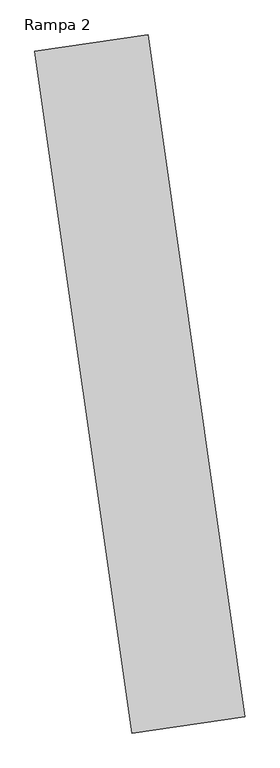
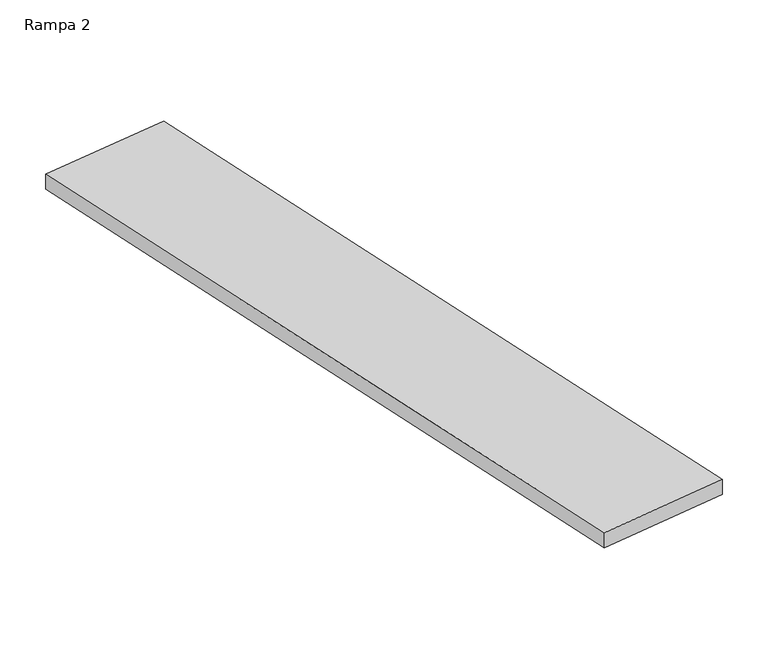
"""IFC4 building model written with IfcOpenShell, lengths in millimetres: ramp geometry, Rampa 2."""

from ifc_helpers import new_model, si_unit, frame, origin, place, context, project, spatial, polyline, outline, extrude, source, transform, mapped, element, save


def rampa_2_53915e04(model_context):
    return source(origin(), model_context, "Body", "SweptSolid", [
        extrude(outline(polyline([(-500.0, -7459.9404883), (0.0, 0.0), (150.3365454, 0.0), (-349.6634546, -7459.9404883), (-500.0, -7459.9404883)])), frame((-20794.9251606, 46577.6035419, 3000.0), z_axis=(0.9899465202995432, 0.1414421682060411, 0.0), x_axis=(0.0, 0.0, -1.0)), (0.0, 0.0, 1.0), 1237.5871649),
    ])


if __name__ == "__main__":
    model = new_model("IFC4")
    model_context = context("Model", 3, world=origin())
    ifc_project = project(units=[si_unit("LENGTHUNIT", "METRE", prefix="MILLI")], contexts=[model_context])
    site = spatial("IfcSite", under=ifc_project)
    building = spatial("IfcBuilding", under=site)
    placement = place(None, origin())
    rampa_2_shape = rampa_2_53915e04(model_context)
    element("IfcRamp", 1, ObjectType="Rampa 2", at=placement, inside=building, context=model_context, shape_type="MappedRepresentation", body=[
        mapped(rampa_2_shape, transform((0.0, 0.0, 0.0), x_axis=(1.0, 0.0, 0.0), y_axis=(0.0, 1.0, 0.0), z_axis=(0.0, 0.0, 1.0))),
    ])
    save(model, "model.ifc")
